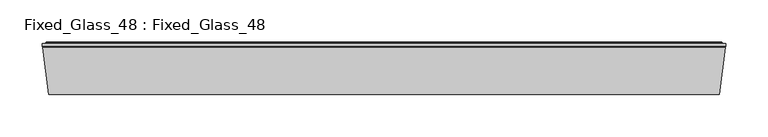
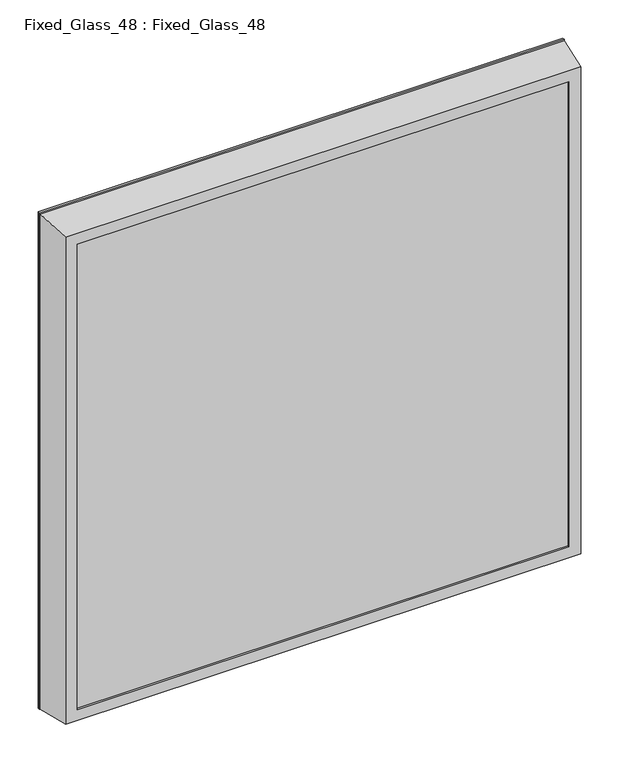
"""IFC4 building model written with IfcOpenShell, lengths in millimetres: proxy geometry, Fixed_Glass_48 : Fixed_Glass_48."""

import ifcopenshell
import ifcopenshell.guid

model = None  # the IFC model being written
_history = None  # IfcOwnerHistory: only IFC2X3 demands one
_inside = {}  # id of a spatial element -> (the spatial element, [elements in it])
_under = {}  # id of a project, library or spatial element -> (it, [spatial elements below it])
_declared = {}  # id of a project -> (the project, [libraries it declares])
_typed = {}  # id of a type object -> (the type object, [elements of that type])
_made_of = {}  # id of a material, layer set ... -> (it, [elements and type objects made of it])


def new_model(schema):
    """Start an empty IFC model of exactly this schema.

    Asked for "IFC4X3", IfcOpenShell would pick the latest addendum, in which some entities
    have other attributes; the version numbers below select the first issue.
    IFC2X3 requires an IfcOwnerHistory on every rooted entity: one is made here for all.
    """
    global model, _history
    if schema == "IFC4X3":
        model = ifcopenshell.file(schema_version=(4, 3, 0, 0))
    else:
        model = ifcopenshell.file(schema=schema)
    _inside.clear()
    _under.clear()
    _declared.clear()
    _typed.clear()
    _made_of.clear()
    _history = None
    if model.schema == "IFC2X3":
        org = make("IfcOrganization", Name="unknown")
        user = make(
            "IfcPersonAndOrganization",
            ThePerson=make("IfcPerson", FamilyName="unknown"),
            TheOrganization=org,
        )
        app = make(
            "IfcApplication",
            ApplicationDeveloper=org,
            Version="unknown",
            ApplicationFullName="unknown",
            ApplicationIdentifier="unknown",
        )
        _history = make(
            "IfcOwnerHistory",
            OwningUser=user,
            OwningApplication=app,
            ChangeAction="ADDED",
            CreationDate=0,
        )
    return model


def make(cls, **values):
    """One entity of the class cls with the attributes given. An attribute that is None is left unset."""
    return model.create_entity(
        cls, **{name: value for name, value in values.items() if value is not None}
    )


def rooted(cls, **values):
    """An entity with a GlobalId (a new one), such as an element, a storey or a relation."""
    return make(cls, GlobalId=ifcopenshell.guid.new(), OwnerHistory=_history, **values)


def si_unit(unit_type, name, prefix=None):
    """IfcSIUnit, for example si_unit("LENGTHUNIT", "METRE", prefix="MILLI")."""
    return make("IfcSIUnit", UnitType=unit_type, Prefix=prefix, Name=name)


def assignment(units):
    """IfcUnitAssignment: the units of a project."""
    return None if units is None else make("IfcUnitAssignment", Units=units)


def point(xyz):
    """IfcCartesianPoint."""
    return None if xyz is None else make("IfcCartesianPoint", Coordinates=xyz)


def direction(xyz):
    """IfcDirection."""
    return None if xyz is None else make("IfcDirection", DirectionRatios=xyz)


def frame(location, z_axis=None, x_axis=None):
    """IfcAxis2Placement3D, a coordinate frame: its origin and axes. An axis left out is left unset."""
    return make(
        "IfcAxis2Placement3D",
        Location=point(location),
        Axis=direction(z_axis),
        RefDirection=direction(x_axis),
    )


def origin():
    """The frame at (0, 0, 0) with its axes left unset."""
    return frame((0.0, 0.0, 0.0))


def place(relative_to, where):
    """IfcLocalPlacement: puts the frame where relative to a parent placement (None: the world)."""
    return make(
        "IfcLocalPlacement", PlacementRelTo=relative_to, RelativePlacement=where
    )


def context(
    kind, dimensions, precision=None, world=None, true_north=None, identifier=None
):
    """IfcGeometricRepresentationContext, for example the 3D "Model" context."""
    return make(
        "IfcGeometricRepresentationContext",
        ContextIdentifier=identifier,
        ContextType=kind,
        CoordinateSpaceDimension=dimensions,
        Precision=precision,
        WorldCoordinateSystem=world,
        TrueNorth=true_north,
    )


def project(units=None, contexts=None):
    """IfcProject with its units and contexts."""
    return rooted(
        "IfcProject",
        Name="project",
        RepresentationContexts=contexts,
        UnitsInContext=assignment(units),
    )


def spatial(cls, under=None, at=None, **own):
    """A site, building, storey or space (cls), placed at a placement, below another one or the project."""
    s = rooted(cls, ObjectPlacement=at, **own)
    if under is not None:
        _under.setdefault(under.id(), (under, []))[1].append(s)
    return s


def polyline(points):
    """IfcPolyline through the points."""
    return make("IfcPolyline", Points=[point(p) for p in points])


def ellipse_curve(where, semi_axis1, semi_axis2):
    """IfcEllipse in the frame where."""
    return make(
        "IfcEllipse", Position=where, SemiAxis1=semi_axis1, SemiAxis2=semi_axis2
    )


def outline(outer, holes=None, kind="AREA"):
    """IfcArbitraryClosedProfileDef: a profile drawn as a closed curve; with holes, ...WithVoids."""
    if holes is None:
        return make("IfcArbitraryClosedProfileDef", ProfileType=kind, OuterCurve=outer)
    return make(
        "IfcArbitraryProfileDefWithVoids",
        ProfileType=kind,
        OuterCurve=outer,
        InnerCurves=holes,
    )


def extrude(swept, where, along, depth):
    """IfcExtrudedAreaSolid: the profile swept, set in the frame where, extruded along a direction by depth."""
    return make(
        "IfcExtrudedAreaSolid",
        SweptArea=swept,
        Position=where,
        ExtrudedDirection=direction(along),
        Depth=depth,
    )


def shape(context_of_items, identifier, shape_type, items):
    """IfcShapeRepresentation: the items that make up one representation, for example the "Body"."""
    return make(
        "IfcShapeRepresentation",
        ContextOfItems=context_of_items,
        RepresentationIdentifier=identifier,
        RepresentationType=shape_type,
        Items=items,
    )


def source(mapping_origin, context_of_items, identifier, shape_type, items):
    """IfcRepresentationMap: a shape defined once, which mapped items show again and again."""
    return make(
        "IfcRepresentationMap",
        MappingOrigin=mapping_origin,
        MappedRepresentation=shape(context_of_items, identifier, shape_type, items),
    )


def transform(
    local_origin,
    x_axis=None,
    y_axis=None,
    z_axis=None,
    scale=None,
    scale2=None,
    scale3=None,
    uniform=True,
):
    """IfcCartesianTransformationOperator3D, or its non-uniform kind. x_axis, y_axis, z_axis: its Axis1, 2, 3."""
    if uniform:
        return make(
            "IfcCartesianTransformationOperator3D",
            Axis1=direction(x_axis),
            Axis2=direction(y_axis),
            LocalOrigin=point(local_origin),
            Scale=scale,
            Axis3=direction(z_axis),
        )
    return make(
        "IfcCartesianTransformationOperator3DnonUniform",
        Axis1=direction(x_axis),
        Axis2=direction(y_axis),
        LocalOrigin=point(local_origin),
        Scale=scale,
        Axis3=direction(z_axis),
        Scale2=scale2,
        Scale3=scale3,
    )


def mapped(mapping_source, mapping_target):
    """IfcMappedItem: shows the shape of a source again, moved by a transform."""
    return make(
        "IfcMappedItem", MappingSource=mapping_source, MappingTarget=mapping_target
    )


def made_of(thing, what):
    """Note that an element or type object is made of a material, layer set ...; save() writes the relation."""
    if what is not None:
        _made_of.setdefault(what.id(), (what, []))[1].append(thing)
    return thing


def element(
    cls,
    number,
    at=None,
    inside=None,
    cuts=None,
    type_object=None,
    material=None,
    context=None,
    identifier="Body",
    shape_type=None,
    held_by="IfcProductDefinitionShape",
    body=None,
    shapes=None,
    **own,
):
    """One element of the class cls, such as IfcWall. Its Tag is "e" and its number.

    at: its placement. inside: the storey or other place that contains it. cuts: it is an
    opening in that element (IfcRelVoidsElement). A single representation is given by context,
    identifier, shape_type and body (its items); several are given by shapes. held_by: the class
    of the entity that holds the representations. save() writes the other relations.
    """
    e = rooted(cls, Tag="e%d" % number, ObjectPlacement=at, **own)
    if body is not None:
        shapes = [shape(context, identifier, shape_type, body)]
    if shapes is not None:
        e.Representation = make(held_by, Representations=shapes)
    if inside is not None:
        _inside.setdefault(inside.id(), (inside, []))[1].append(e)
    if cuts is not None:
        rooted(
            "IfcRelVoidsElement", RelatingBuildingElement=cuts, RelatedOpeningElement=e
        )
    if type_object is not None:
        _typed.setdefault(type_object.id(), (type_object, []))[1].append(e)
    return made_of(e, material)


def aggregate(whole, parts):
    """IfcRelAggregates: a whole, such as a stair, and the parts it consists of."""
    return rooted("IfcRelAggregates", RelatingObject=whole, RelatedObjects=parts)


def save(model, path):
    """Write the relations noted so far, then the file.

    IfcRelAggregates (storeys below a building ...), IfcRelContainedInSpatialStructure (elements
    in a storey), IfcRelDefinesByType, IfcRelAssociatesMaterial and IfcRelDeclares: one each for
    every whole, place, type object, material and project.
    """
    for whole, parts in _under.values():
        aggregate(whole, parts)
    for where, things in _inside.values():
        rooted(
            "IfcRelContainedInSpatialStructure",
            RelatedElements=things,
            RelatingStructure=where,
        )
    for kind, things in _typed.values():
        rooted("IfcRelDefinesByType", RelatedObjects=things, RelatingType=kind)
    for what, things in _made_of.values():
        rooted("IfcRelAssociatesMaterial", RelatedObjects=things, RelatingMaterial=what)
    for by, libraries in _declared.values():
        rooted("IfcRelDeclares", RelatingContext=by, RelatedDefinitions=libraries)
    model.write(path)


def plane_surface(at):
    """IfcPlane: the flat surface through the origin of the frame at, square to its z axis."""
    return make("IfcPlane", Position=at)


def cylinder_surface(at, radius):
    """IfcCylindricalSurface: all points at the distance radius from the z axis of the frame at."""
    return make("IfcCylindricalSurface", Position=at, Radius=radius)


def advanced_brep(points, edges, surfaces, faces):
    """IfcAdvancedBrep: a solid bounded by faces that lie on surfaces and meet in shared edges.

    An edge is (start, end): straight between two places in points (the first is 0);
    or (start, end, curve); or (start, end, curve, False) where it runs against its curve.
    A face is (place in surfaces, loops), or (place, loops, False) where it looks against
    its surface's normal. A loop lists edges by number (the first is 1), with a minus sign
    where the edge is run from its end to its start. The first loop is the outer one.
    """
    corners = [point(p) for p in points]
    vertices = [make("IfcVertexPoint", VertexGeometry=c) for c in corners]
    made = []
    for start, end, *more in edges:
        made.append(
            make(
                "IfcEdgeCurve",
                EdgeStart=vertices[start],
                EdgeEnd=vertices[end],
                EdgeGeometry=more[0] if more else make("IfcPolyline", Points=[corners[start], corners[end]]),
                SameSense=more[1] if len(more) > 1 else True,
            )
        )
    hull = []
    for where, loops, *sense in faces:
        bounds = []
        for j, loop in enumerate(loops):
            ring = [make("IfcOrientedEdge", EdgeElement=made[abs(k) - 1], Orientation=k > 0) for k in loop]
            bounds.append(
                make(
                    "IfcFaceOuterBound" if j == 0 else "IfcFaceBound",
                    Bound=make("IfcEdgeLoop", EdgeList=ring),
                    Orientation=True,
                )
            )
        hull.append(make("IfcAdvancedFace", Bounds=bounds, FaceSurface=surfaces[where], SameSense=sense[0] if sense else True))
    return make("IfcAdvancedBrep", Outer=make("IfcClosedShell", CfsFaces=hull))


def fixed_glass_48_fixed_glass_48_e068b46b(model_context):
    return source(origin(), model_context, "Body", "SolidModel", [
        extrude(outline(polyline([(99.3164417, -60.0), (-688.6835583, -60.0), (-688.6835583, -12.0), (99.3164417, -12.0), (99.3164417, -60.0)])), frame((0.0, 0.0, -127.3320772), z_axis=(0.0, 0.0, 1.0), x_axis=(1.0, 0.0, 0.0)), (0.0, 0.0, 1.0), 788.0),
        advanced_brep(
        [(85.3164417, -10.6551647, 646.6679228), (88.2048434, -1.2076283, 649.5563246), (88.2048434, -1.2076283, -116.2204789), (85.3164417, -10.6551647, -113.3320772), (85.3164417, -12.0, 646.6679228), (85.3164417, -12.0, -113.3320772), (99.3164417, -60.0, 660.6679228), (99.3164417, -12.0, 660.6679228), (99.3164417, -12.0, -127.3320772), (99.3164417, -60.0, -127.3320772), (85.3164417, -63.0, 646.6679228), (85.3164417, -60.0, 646.6679228), (85.3164417, -60.0, -113.3320772), (85.3164417, -63.0, -113.3320772), (110.1384667, -7.4390653, 671.4899478), (103.3164417, -63.0, 664.6679228), (103.3164417, -63.0, -131.3320772), (110.1384667, -7.4390653, -138.1541021), (110.9164417, -5.8, 672.2679228), (110.9164417, -5.8, -138.9320772), (110.9164417, -2.5, 672.2679228), (110.9164417, -2.5, -138.9320772), (106.5364417, -1.5, 667.8879228), (106.5364417, -2.5, 667.8879228), (106.5364417, -2.5, -134.5520772), (106.5364417, -1.5, -134.5520772), (105.5364417, -0.5, 666.8879228), (105.5364417, -0.5, -133.5520772), (89.1611482, -0.5, 650.5126293), (89.1611482, -0.5, -117.1767837), (-677.57196, -1.2076283, -116.2204789), (-674.6835583, -10.6551647, -113.3320772), (-674.6835583, -12.0, -113.3320772), (-688.6835583, -12.0, -127.3320772), (-688.6835583, -60.0, -127.3320772), (-674.6835583, -60.0, -113.3320772), (-674.6835583, -63.0, -113.3320772), (-692.6835583, -63.0, -131.3320772), (-699.5055833, -7.4390653, -138.1541021), (-700.2835583, -5.8, -138.9320772), (-700.2835583, -2.5, -138.9320772), (-695.9035583, -2.5, -134.5520772), (-695.9035583, -1.5, -134.5520772), (-694.9035583, -0.5, -133.5520772), (-678.5282648, -0.5, -117.1767837), (-677.57196, -1.2076283, 649.5563246), (-674.6835583, -10.6551647, 646.6679228), (-674.6835583, -12.0, 646.6679228), (-688.6835583, -12.0, 660.6679228), (-688.6835583, -60.0, 660.6679228), (-674.6835583, -60.0, 646.6679228), (-674.6835583, -63.0, 646.6679228), (-692.6835583, -63.0, 664.6679228), (-699.5055833, -7.4390653, 671.4899478), (-700.2835583, -5.8, 672.2679228), (-700.2835583, -2.5, 672.2679228), (-695.9035583, -2.5, 667.8879228), (-695.9035583, -1.5, 667.8879228), (-694.9035583, -0.5, 666.8879228), (-678.5282648, -0.5, 650.5126293)],
        [
            (0, 1),
            (1, 2),
            (2, 3),
            (3, 0),
            (4, 0),
            (3, 5),
            (5, 4),
            (6, 7),
            (7, 8),
            (8, 9),
            (9, 6),
            (10, 11),
            (11, 12),
            (12, 13),
            (13, 10),
            (14, 15),
            (15, 16),
            (16, 17),
            (17, 14),
            (18, 14),
            (17, 19),
            (19, 18),
            (20, 18),
            (19, 21),
            (21, 20),
            (22, 23),
            (23, 24),
            (24, 25),
            (25, 22),
            (26, 22, ellipse_curve(frame((105.5364417, -1.5, 666.8879228), z_axis=(0.7071067811865475, 0.0, -0.7071067811865475), x_axis=(0.7071067811865474, 0.0, 0.7071067811865476)), 1.4142136, 1.0)),
            (25, 27, ellipse_curve(frame((105.5364417, -1.5, -133.5520772), z_axis=(0.7071067811865475, 0.0, 0.7071067811865475), x_axis=(-0.7071067811865474, 0.0, 0.7071067811865476)), 1.4142136, 1.0)),
            (27, 26),
            (1, 28, ellipse_curve(frame((89.1611482, -1.5, 650.5126293), z_axis=(0.7071067811865475, 0.0, -0.7071067811865475), x_axis=(0.7071067811865474, 0.0, 0.7071067811865476)), 1.4142136, 1.0)),
            (28, 29),
            (29, 2, ellipse_curve(frame((89.1611482, -1.5, -117.1767837), z_axis=(0.7071067811865475, 0.0, 0.7071067811865475), x_axis=(-0.7071067811865474, 0.0, 0.7071067811865476)), 1.4142136, 1.0)),
            (2, 30),
            (30, 31),
            (31, 3),
            (31, 32),
            (32, 5),
            (8, 33),
            (33, 34),
            (34, 9),
            (12, 35),
            (35, 36),
            (36, 13),
            (16, 37),
            (37, 38),
            (38, 17),
            (38, 39),
            (39, 19),
            (39, 40),
            (40, 21),
            (24, 41),
            (41, 42),
            (42, 25),
            (42, 43, ellipse_curve(frame((-694.9035583, -1.5, -133.5520772), z_axis=(0.7071067811865475, 0.0, -0.7071067811865475), x_axis=(0.7071067811865476, 0.0, 0.7071067811865474)), 1.4142136, 1.0)),
            (43, 27),
            (29, 44),
            (44, 30, ellipse_curve(frame((-678.5282648, -1.5, -117.1767837), z_axis=(0.7071067811865475, 0.0, -0.7071067811865475), x_axis=(0.7071067811865476, 0.0, 0.7071067811865474)), 1.4142136, 1.0)),
            (30, 45),
            (45, 46),
            (46, 31),
            (46, 47),
            (47, 32),
            (33, 48),
            (48, 49),
            (49, 34),
            (35, 50),
            (50, 51),
            (51, 36),
            (37, 52),
            (52, 53),
            (53, 38),
            (53, 54),
            (54, 39),
            (54, 55),
            (55, 40),
            (41, 56),
            (56, 57),
            (57, 42),
            (57, 58, ellipse_curve(frame((-694.9035583, -1.5, 666.8879228), z_axis=(-0.7071067811865475, 0.0, -0.7071067811865475), x_axis=(0.7071067811865474, 0.0, -0.7071067811865476)), 1.4142136, 1.0)),
            (58, 43),
            (44, 59),
            (59, 45, ellipse_curve(frame((-678.5282648, -1.5, 650.5126293), z_axis=(-0.7071067811865475, 0.0, -0.7071067811865475), x_axis=(0.7071067811865474, 0.0, -0.7071067811865476)), 1.4142136, 1.0)),
            (45, 1),
            (0, 46),
            (4, 47),
            (7, 48),
            (6, 49),
            (11, 50),
            (10, 51),
            (15, 52),
            (14, 53),
            (18, 54),
            (20, 55),
            (23, 56),
            (22, 57),
            (26, 58),
            (28, 59),
        ],
        [
            plane_surface(frame((88.2048434, -1.2076283, 649.5563246), z_axis=(-0.9563047559630347, 0.29237170472273977, 0.0), x_axis=(0.0, 0.0, -1.0))),
            plane_surface(frame((85.3164417, -10.6551647, 646.6679228), z_axis=(-1.0, 0.0, 0.0), x_axis=(0.0, 0.0, -1.0))),
            plane_surface(frame((99.3164417, -12.0, 660.6679228), z_axis=(-1.0, 0.0, 0.0), x_axis=(0.0, 0.0, -1.0))),
            plane_surface(frame((85.3164417, -60.0, 646.6679228), z_axis=(-1.0, 0.0, 0.0), x_axis=(0.0, 0.0, -1.0))),
            plane_surface(frame((103.3164417, -63.0, 664.6679228), z_axis=(0.9925461516413231, -0.12186934340513905, 0.0), x_axis=(0.0, 0.0, -1.0))),
            plane_surface(frame((110.1384667, -7.4390653, 671.4899478), z_axis=(0.9034015732556399, -0.4287955193786835, 0.0), x_axis=(0.0, 0.0, -1.0))),
            plane_surface(frame((110.9164417, -5.8, 672.2679228), z_axis=(1.0, 0.0, 0.0), x_axis=(0.0, 0.0, -1.0))),
            plane_surface(frame((106.5364417, -2.5, 667.8879228), z_axis=(1.0, 0.0, 0.0), x_axis=(0.0, 0.0, -1.0))),
            cylinder_surface(frame((105.5364417, -1.5, 696.6679228), z_axis=(0.0, 0.0, 1.0), x_axis=(0.0, -1.0, 0.0)), 1.0),
            cylinder_surface(frame((89.1611482, -1.5, 696.6679228), z_axis=(0.0, 0.0, 1.0), x_axis=(0.0, -1.0, 0.0)), 1.0),
            plane_surface(frame((88.2048434, -1.2076283, -116.2204789), z_axis=(0.0, 0.29237170472273977, 0.9563047559630347), x_axis=(-1.0, 0.0, 0.0))),
            plane_surface(frame((85.3164417, -10.6551647, -113.3320772), z_axis=(0.0, 0.0, 1.0), x_axis=(-1.0, 0.0, 0.0))),
            plane_surface(frame((99.3164417, -12.0, -127.3320772), z_axis=(0.0, 0.0, 1.0), x_axis=(-1.0, 0.0, 0.0))),
            plane_surface(frame((85.3164417, -60.0, -113.3320772), z_axis=(0.0, 0.0, 1.0), x_axis=(-1.0, 0.0, 0.0))),
            plane_surface(frame((103.3164417, -63.0, -131.3320772), z_axis=(0.0, -0.12186934340513905, -0.9925461516413231), x_axis=(-1.0, 0.0, 0.0))),
            plane_surface(frame((110.1384667, -7.4390653, -138.1541021), z_axis=(0.0, -0.4287955193786835, -0.9034015732556399), x_axis=(-1.0, 0.0, 0.0))),
            plane_surface(frame((110.9164417, -5.8, -138.9320772), z_axis=(0.0, 0.0, -1.0), x_axis=(-1.0, 0.0, 0.0))),
            plane_surface(frame((106.5364417, -2.5, -134.5520772), z_axis=(0.0, 0.0, -1.0), x_axis=(-1.0, 0.0, 0.0))),
            cylinder_surface(frame((135.3164417, -1.5, -133.5520772), z_axis=(1.0, 0.0, 0.0), x_axis=(0.0, -1.0, 0.0)), 1.0),
            cylinder_surface(frame((135.3164417, -1.5, -117.1767837), z_axis=(1.0, 0.0, 0.0), x_axis=(0.0, -1.0, 0.0)), 1.0),
            plane_surface(frame((-677.57196, -1.2076283, -116.2204789), z_axis=(0.9563047559630347, 0.29237170472273977, 0.0), x_axis=(0.0, 0.0, 1.0))),
            plane_surface(frame((-674.6835583, -10.6551647, -113.3320772), z_axis=(1.0, 0.0, 0.0), x_axis=(0.0, 0.0, 1.0))),
            plane_surface(frame((-688.6835583, -12.0, -127.3320772), z_axis=(1.0, 0.0, 0.0), x_axis=(0.0, 0.0, 1.0))),
            plane_surface(frame((-674.6835583, -60.0, -113.3320772), z_axis=(1.0, 0.0, 0.0), x_axis=(0.0, 0.0, 1.0))),
            plane_surface(frame((-692.6835583, -63.0, -131.3320772), z_axis=(-0.9925461516413231, -0.12186934340513905, 0.0), x_axis=(0.0, 0.0, 1.0))),
            plane_surface(frame((-699.5055833, -7.4390653, -138.1541021), z_axis=(-0.9034015732556399, -0.4287955193786835, 0.0), x_axis=(0.0, 0.0, 1.0))),
            plane_surface(frame((-700.2835583, -5.8, -138.9320772), z_axis=(-1.0, 0.0, 0.0), x_axis=(0.0, 0.0, 1.0))),
            plane_surface(frame((-695.9035583, -2.5, -134.5520772), z_axis=(-1.0, 0.0, 0.0), x_axis=(0.0, 0.0, 1.0))),
            cylinder_surface(frame((-694.9035583, -1.5, -163.3320772), z_axis=(0.0, 0.0, -1.0), x_axis=(0.0, -1.0, 0.0)), 1.0),
            cylinder_surface(frame((-678.5282648, -1.5, -163.3320772), z_axis=(0.0, 0.0, -1.0), x_axis=(0.0, -1.0, 0.0)), 1.0),
            plane_surface(frame((-677.57196, -1.2076283, 649.5563246), z_axis=(0.0, 0.29237170472273977, -0.9563047559630347), x_axis=(1.0, 0.0, 0.0))),
            plane_surface(frame((-674.6835583, -10.6551647, 646.6679228), z_axis=(0.0, 0.0, -1.0), x_axis=(1.0, 0.0, 0.0))),
            plane_surface(frame((-674.6835583, -12.0, 646.6679228), z_axis=(0.0, -1.0, 0.0), x_axis=(1.0, 0.0, 0.0))),
            plane_surface(frame((-688.6835583, -12.0, 660.6679228), z_axis=(0.0, 0.0, -1.0), x_axis=(1.0, 0.0, 0.0))),
            plane_surface(frame((-688.6835583, -60.0, 660.6679228), z_axis=(0.0, 1.0, 0.0), x_axis=(1.0, 0.0, 0.0))),
            plane_surface(frame((-674.6835583, -60.0, 646.6679228), z_axis=(0.0, 0.0, -1.0), x_axis=(1.0, 0.0, 0.0))),
            plane_surface(frame((-674.6835583, -63.0, 646.6679228), z_axis=(0.0, -1.0, 0.0), x_axis=(1.0, 0.0, 0.0))),
            plane_surface(frame((-692.6835583, -63.0, 664.6679228), z_axis=(0.0, -0.12186934340513905, 0.9925461516413231), x_axis=(1.0, 0.0, 0.0))),
            plane_surface(frame((-699.5055833, -7.4390653, 671.4899478), z_axis=(0.0, -0.4287955193786835, 0.9034015732556399), x_axis=(1.0, 0.0, 0.0))),
            plane_surface(frame((-700.2835583, -5.8, 672.2679228), z_axis=(0.0, 0.0, 1.0), x_axis=(1.0, 0.0, 0.0))),
            plane_surface(frame((-700.2835583, -2.5, 672.2679228), z_axis=(0.0, 1.0, 0.0), x_axis=(1.0, 0.0, 0.0))),
            plane_surface(frame((-695.9035583, -2.5, 667.8879228), z_axis=(0.0, 0.0, 1.0), x_axis=(1.0, 0.0, 0.0))),
            cylinder_surface(frame((-724.6835583, -1.5, 666.8879228), z_axis=(-1.0, 0.0, 0.0), x_axis=(0.0, -1.0, 0.0)), 1.0),
            plane_surface(frame((-694.9035583, -0.5, 666.8879228), z_axis=(0.0, 1.0, 0.0), x_axis=(1.0, 0.0, 0.0))),
            cylinder_surface(frame((-724.6835583, -1.5, 650.5126293), z_axis=(-1.0, 0.0, 0.0), x_axis=(0.0, -1.0, 0.0)), 1.0),
        ],
        [
            (0, [[1, 2, 3, 4]]),
            (1, [[5, -4, 6, 7]]),
            (2, [[8, 9, 10, 11]]),
            (3, [[12, 13, 14, 15]]),
            (4, [[16, 17, 18, 19]]),
            (5, [[20, -19, 21, 22]]),
            (6, [[23, -22, 24, 25]]),
            (7, [[26, 27, 28, 29]]),
            (8, [[30, -29, 31, 32]]),
            (9, [[33, 34, 35, -2]]),
            (10, [[-3, 36, 37, 38]]),
            (11, [[-6, -38, 39, 40]]),
            (12, [[-10, 41, 42, 43]]),
            (13, [[-14, 44, 45, 46]]),
            (14, [[-18, 47, 48, 49]]),
            (15, [[-21, -49, 50, 51]]),
            (16, [[-24, -51, 52, 53]]),
            (17, [[-28, 54, 55, 56]]),
            (18, [[-31, -56, 57, 58]]),
            (19, [[-35, 59, 60, -36]]),
            (20, [[-37, 61, 62, 63]]),
            (21, [[-39, -63, 64, 65]]),
            (22, [[-42, 66, 67, 68]]),
            (23, [[-45, 69, 70, 71]]),
            (24, [[-48, 72, 73, 74]]),
            (25, [[-50, -74, 75, 76]]),
            (26, [[-52, -76, 77, 78]]),
            (27, [[-55, 79, 80, 81]]),
            (28, [[-57, -81, 82, 83]]),
            (29, [[-60, 84, 85, -61]]),
            (30, [[-62, 86, -1, 87]]),
            (31, [[-64, -87, -5, 88]]),
            (32, [[89, -66, -41, -9], [-40, -65, -88, -7]]),
            (33, [[-67, -89, -8, 90]]),
            (34, [[-43, -68, -90, -11], [91, -69, -44, -13]]),
            (35, [[-70, -91, -12, 92]]),
            (36, [[93, -72, -47, -17], [-46, -71, -92, -15]]),
            (37, [[-73, -93, -16, 94]]),
            (38, [[-75, -94, -20, 95]]),
            (39, [[-77, -95, -23, 96]]),
            (40, [[-53, -78, -96, -25], [97, -79, -54, -27]]),
            (41, [[-80, -97, -26, 98]]),
            (42, [[-82, -98, -30, 99]]),
            (43, [[-58, -83, -99, -32], [100, -84, -59, -34]]),
            (44, [[-85, -100, -33, -86]]),
        ],
    ),
    ])


if __name__ == "__main__":
    model = new_model("IFC4")
    model_context = context("Model", 3, world=origin())
    ifc_project = project(units=[si_unit("LENGTHUNIT", "METRE", prefix="MILLI")], contexts=[model_context])
    site = spatial("IfcSite", under=ifc_project)
    building = spatial("IfcBuilding", under=site)
    placement = place(None, origin())
    fixed_glass_48_fixed_glass_48_shape = fixed_glass_48_fixed_glass_48_e068b46b(model_context)
    element("IfcBuildingElementProxy", 1, Name="Fixed_Glass_48 : Fixed_Glass_48", ObjectType="Fixed_Glass_48 : Fixed_Glass_48", at=placement, inside=building, context=model_context, shape_type="MappedRepresentation", body=[
        mapped(fixed_glass_48_fixed_glass_48_shape, transform((0.0, 0.0, 0.0), x_axis=(1.0, 0.0, 0.0), y_axis=(0.0, 1.0, 0.0), z_axis=(0.0, 0.0, 1.0))),
    ])
    save(model, "model.ifc")
